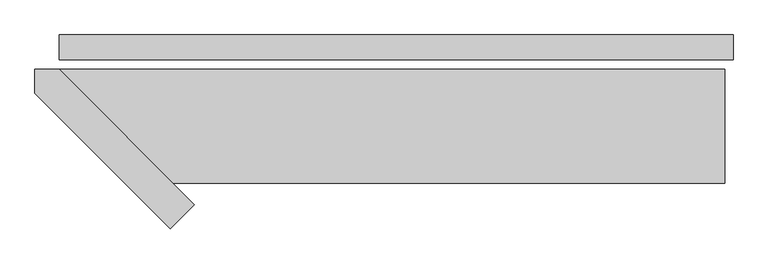
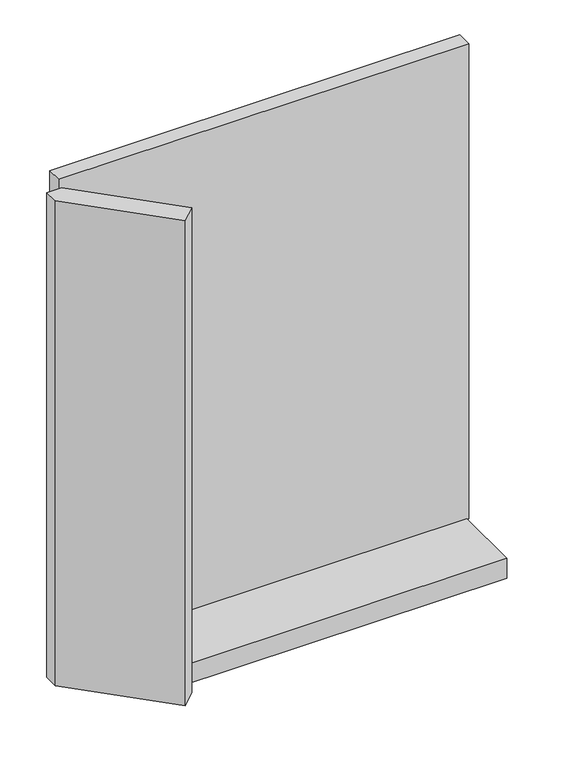
"""IFC4 building model written with IfcOpenShell, lengths in millimetres: plate geometry."""

from ifc_helpers import new_model, si_unit, frame, origin, origin_with_axes, place, context, project, spatial, polyline, outline, extrude, source, transform, mapped, element, save


def plate_d20b55d3(model_context):
    return source(origin(), model_context, "Body", "SweptSolid", [
        extrude(outline(polyline([(591.0, 0.0), (591.0, -44.0), (-591.0, -44.0), (-591.0, 0.0), (591.0, 0.0)])), origin_with_axes(), (0.0, 0.0, 1.0), 1447.534293),
        extrude(outline(polyline([(-354.0, -297.5735931), (-396.4264069, -340.0), (-634.0, -102.4264069), (-634.0, -60.0), (-591.5735931, -60.0), (-354.0, -297.5735931)])), frame((0.0, 0.0, -45.0), z_axis=(0.0, 0.0, 1.0), x_axis=(1.0, 0.0, 0.0)), (0.0, 0.0, 1.0), 1477.534293),
        extrude(outline(polyline([(576.0, -260.0), (-391.5735931, -260.0), (-591.5735931, -60.0), (576.0, -60.0), (576.0, -260.0)])), frame((0.0, 0.0, -45.0), z_axis=(0.0, 0.0, 1.0), x_axis=(1.0, 0.0, 0.0)), (0.0, 0.0, 1.0), 60.0),
    ])


if __name__ == "__main__":
    model = new_model("IFC4")
    model_context = context("Model", 3, world=origin())
    ifc_project = project(units=[si_unit("LENGTHUNIT", "METRE", prefix="MILLI")], contexts=[model_context])
    site = spatial("IfcSite", under=ifc_project)
    building = spatial("IfcBuilding", under=site)
    placement = place(None, origin())
    plate_shape = plate_d20b55d3(model_context)
    element("IfcPlate", 1, at=placement, inside=building, context=model_context, shape_type="MappedRepresentation", body=[
        mapped(plate_shape, transform((0.0, 0.0, 0.0), x_axis=(1.0, 0.0, 0.0), y_axis=(0.0, 1.0, 0.0), z_axis=(0.0, 0.0, 1.0))),
    ])
    save(model, "model.ifc")
